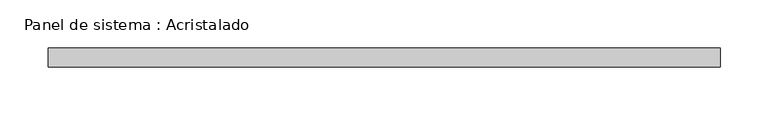
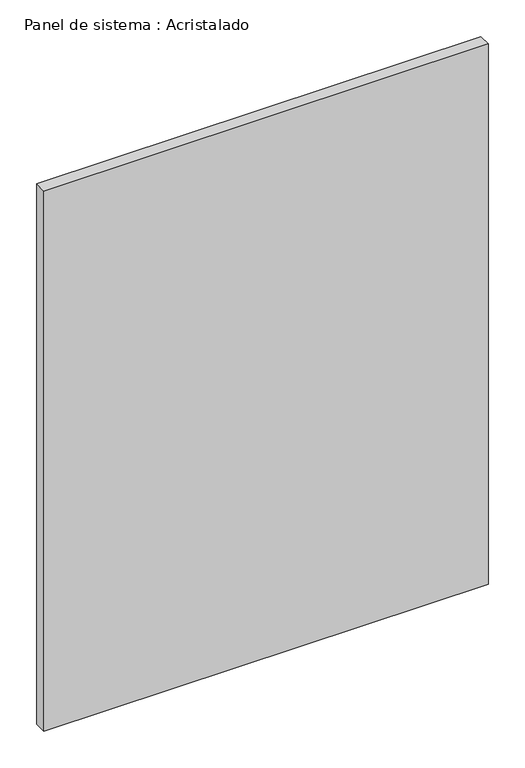
"""IFC4 building model written with IfcOpenShell, lengths in millimetres: plate geometry, Panel de sistema : Acristalado."""

from ifc_helpers import new_model, si_unit, origin, origin_with_axes, place, context, project, spatial, polyline, outline, extrude, source, transform, mapped, element, save


def panel_de_sistema_acristalado_11275714(model_context):
    return source(origin(), model_context, "Body", "SweptSolid", [
        extrude(outline(polyline([(350.0, -10.0), (-350.0, -10.0), (-350.0, 10.0), (350.0, 10.0), (350.0, -10.0)])), origin_with_axes(), (0.0, 0.0, 1.0), 900.0),
    ])


if __name__ == "__main__":
    model = new_model("IFC4")
    model_context = context("Model", 3, world=origin())
    ifc_project = project(units=[si_unit("LENGTHUNIT", "METRE", prefix="MILLI")], contexts=[model_context])
    site = spatial("IfcSite", under=ifc_project)
    building = spatial("IfcBuilding", under=site)
    placement = place(None, origin())
    panel_de_sistema_acristalado_shape = panel_de_sistema_acristalado_11275714(model_context)
    element("IfcPlate", 1, ObjectType="Panel de sistema : Acristalado", at=placement, inside=building, context=model_context, shape_type="MappedRepresentation", body=[
        mapped(panel_de_sistema_acristalado_shape, transform((0.0, 0.0, 0.0), x_axis=(1.0, 0.0, 0.0), y_axis=(0.0, 1.0, 0.0), z_axis=(0.0, 0.0, 1.0))),
    ])
    save(model, "model.ifc")
